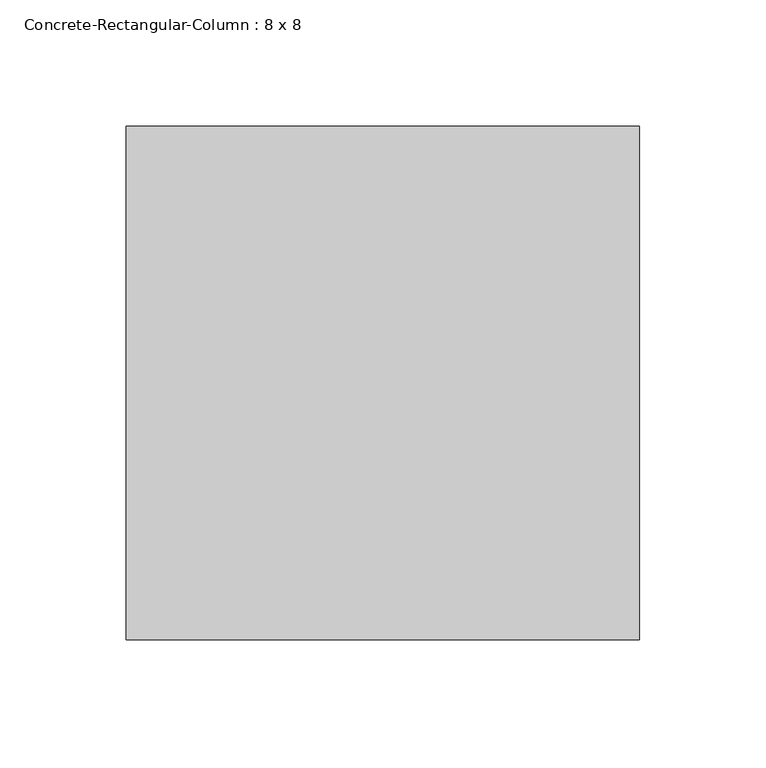
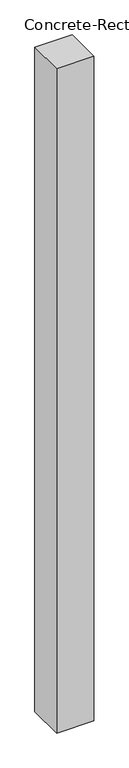
"""IFC4 building model written with IfcOpenShell, lengths in millimetres: column geometry, Concrete-Rectangular-Column : 8 x 8."""

from ifc_helpers import new_model, si_unit, origin, origin_with_axes, place, context, project, spatial, polyline, outline, extrude, source, transform, mapped, element, save


def concrete_rectangular_column_8_x_8_f215429a(model_context):
    return source(origin(), model_context, "Body", "SweptSolid", [
        extrude(outline(polyline([(101.6, 101.6), (101.6, -101.6), (-101.6, -101.6), (-101.6, 101.6), (101.6, 101.6)])), origin_with_axes(), (0.0, 0.0, 1.0), 3810.0),
    ])


if __name__ == "__main__":
    model = new_model("IFC4")
    model_context = context("Model", 3, world=origin())
    ifc_project = project(units=[si_unit("LENGTHUNIT", "METRE", prefix="MILLI")], contexts=[model_context])
    site = spatial("IfcSite", under=ifc_project)
    building = spatial("IfcBuilding", under=site)
    placement = place(None, origin())
    concrete_rectangular_column_8_x_8_shape = concrete_rectangular_column_8_x_8_f215429a(model_context)
    element("IfcColumn", 1, ObjectType="Concrete-Rectangular-Column : 8 x 8", at=placement, inside=building, context=model_context, shape_type="MappedRepresentation", body=[
        mapped(concrete_rectangular_column_8_x_8_shape, transform((0.0, 0.0, 0.0), x_axis=(1.0, 0.0, 0.0), y_axis=(0.0, 1.0, 0.0), z_axis=(0.0, 0.0, 1.0))),
    ])
    save(model, "model.ifc")
